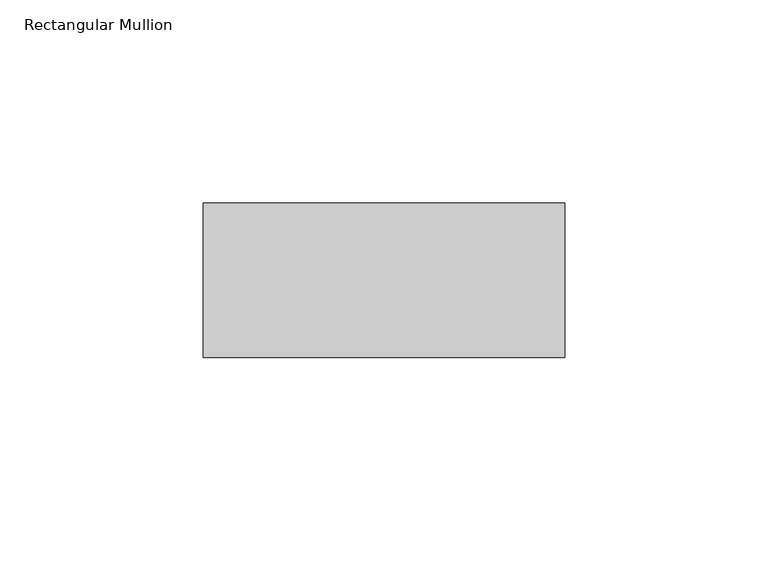
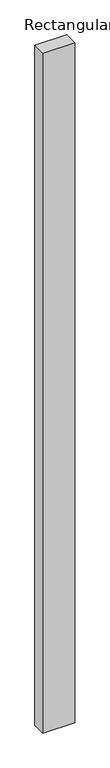
"""IFC4 building model written with IfcOpenShell, lengths in millimetres: member geometry, Rectangular Mullion."""

from ifc_helpers import new_model, si_unit, frame, origin, place, context, project, spatial, polyline, outline, extrude, source, transform, mapped, element, save


def rectangular_mullion_9030a36c(model_context):
    return source(origin(), model_context, "Body", "SweptSolid", [
        extrude(outline(polyline([(0.0, 48.0), (0.0, 10.0), (-89.0, 10.0), (-89.0, 48.0), (0.0, 48.0)])), frame((0.0, 0.0, -2009.1863097), z_axis=(0.0, 0.0, 1.0), x_axis=(1.0, 0.0, 0.0)), (0.0, 0.0, 1.0), 2009.1863097),
    ])


if __name__ == "__main__":
    model = new_model("IFC4")
    model_context = context("Model", 3, world=origin())
    ifc_project = project(units=[si_unit("LENGTHUNIT", "METRE", prefix="MILLI")], contexts=[model_context])
    site = spatial("IfcSite", under=ifc_project)
    building = spatial("IfcBuilding", under=site)
    placement = place(None, origin())
    rectangular_mullion_shape = rectangular_mullion_9030a36c(model_context)
    element("IfcMember", 1, ObjectType="Rectangular Mullion", at=placement, inside=building, context=model_context, shape_type="MappedRepresentation", body=[
        mapped(rectangular_mullion_shape, transform((0.0, 0.0, 0.0), x_axis=(1.0, 0.0, 0.0), y_axis=(0.0, 1.0, 0.0), z_axis=(0.0, 0.0, 1.0))),
    ])
    save(model, "model.ifc")
